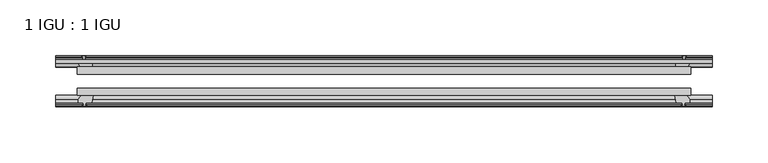
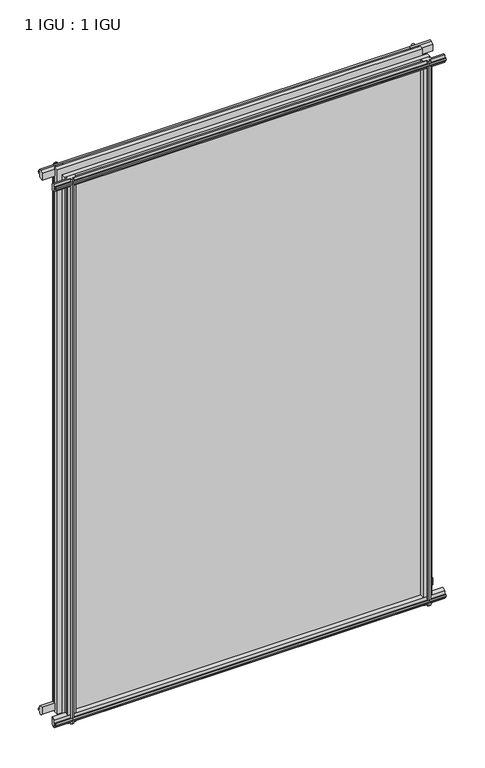
"""IFC4 building model written with IfcOpenShell, lengths in millimetres: plate geometry, 1 IGU : 1 IGU."""

from ifc_helpers import new_model, si_unit, frame, origin, place, context, project, spatial, polyline, outline, extrude, source, transform, mapped, element, save


def plate_1_igu_1_igu_84f44fb4(model_context):
    return source(origin(), model_context, "Body", "SweptSolid", [
        extrude(outline(polyline([(-273.8244096, -38.6468937), (273.8244096, -38.6468937), (273.8244096, -44.9460938), (-273.8244096, -44.9460938), (-273.8244096, -38.6468937)])), frame((0.0, 0.0, -12.7), z_axis=(0.0, 0.0, 1.0), x_axis=(1.0, 0.0, 0.0)), (0.0, 0.0, 1.0), 863.5872996),
        extrude(outline(polyline([(-273.8244096, -19.5460937), (273.8244096, -19.5460937), (273.8244096, -25.8960938), (-273.8244096, -25.8960938), (-273.8244096, -19.5460937)])), frame((0.0, 0.0, -12.7), z_axis=(0.0, 0.0, 1.0), x_axis=(1.0, 0.0, 0.0)), (0.0, 0.0, 1.0), 863.5872996),
        extrude(outline(polyline([(-44.9460937, 1.7177181), (-44.9460937, -9.1036578), (-48.3496937, -11.938), (-51.2960937, -11.938), (-51.2960937, -7.493), (-53.6762907, -7.112), (-53.2163575, -8.5275291), (-54.0175717, -8.5275291), (-54.7250937, -6.35), (-54.0175717, -4.1724709), (-53.2163575, -4.1724709), (-53.6762907, -5.588), (-51.2960937, -5.207), (-51.2960937, 0.0), (-44.9460937, 1.7177181)])), frame((-292.8744096, 0.0, 0.0), z_axis=(1.0, 0.0, 0.0), x_axis=(0.0, 1.0, 0.0)), (0.0, 0.0, 1.0), 585.7488192),
        extrude(outline(polyline([(-13.1960937, -12.4587), (-16.1424937, -12.4587), (-19.5460937, -9.6243578), (-19.5460937, 1.1970181), (-13.1960937, -0.5207), (-13.1960937, -5.7277), (-10.8158968, -6.1087), (-11.27583, -4.6931709), (-10.4746158, -4.6931709), (-9.7670937, -6.8707), (-10.4746158, -9.0482291), (-11.27583, -9.0482291), (-10.8158968, -7.6327), (-13.1960937, -8.0137), (-13.1960937, -12.4587)])), frame((-292.8744096, 0.0, 0.0), z_axis=(1.0, 0.0, 0.0), x_axis=(0.0, 1.0, 0.0)), (0.0, 0.0, 1.0), 585.7488192),
        extrude(outline(polyline([(-51.2960937, 850.1252996), (-48.3496937, 850.1252996), (-44.9460937, 847.2909574), (-44.9460937, 836.4695815), (-51.2960937, 838.1872996), (-51.2960937, 843.3942996), (-53.6762907, 843.7752996), (-53.2163575, 842.3597706), (-54.0175717, 842.3597706), (-54.7250937, 844.5372996), (-54.0175717, 846.7148287), (-53.2163575, 846.7148287), (-53.6762907, 845.2992996), (-51.2960937, 845.6802996), (-51.2960937, 850.1252996)])), frame((-292.8744096, 0.0, 0.0), z_axis=(1.0, 0.0, 0.0), x_axis=(0.0, 1.0, 0.0)), (0.0, 0.0, 1.0), 585.7488192),
        extrude(outline(polyline([(-19.5460937, 836.9902815), (-19.5460937, 847.8116574), (-16.1424937, 850.6459996), (-13.1960937, 850.6459996), (-13.1960937, 846.2009996), (-10.8158968, 845.8199996), (-11.27583, 847.2355287), (-10.4746158, 847.2355287), (-9.7670937, 845.0579996), (-10.4746158, 842.8804706), (-11.27583, 842.8804706), (-10.8158968, 844.2959996), (-13.1960937, 843.9149996), (-13.1960937, 838.7079996), (-19.5460937, 836.9902815)])), frame((-292.8744096, 0.0, 0.0), z_axis=(1.0, 0.0, 0.0), x_axis=(0.0, 1.0, 0.0)), (0.0, 0.0, 1.0), 585.7488192),
        extrude(outline(polyline([(259.9273915, -19.5460938), (261.6451096, -13.1960938), (266.8521096, -13.1960938), (267.2331096, -10.8158968), (265.8175805, -11.27583), (265.8175805, -10.4746158), (267.9951096, -9.7670938), (270.1726386, -10.4746158), (270.1726386, -11.27583), (268.7571096, -10.8158968), (269.1381096, -13.1960938), (273.5831096, -13.1960938), (273.5831096, -16.1424938), (270.7487674, -19.5460938), (259.9273915, -19.5460938)])), frame((0.0, 0.0, -12.7), z_axis=(0.0, 0.0, 1.0), x_axis=(1.0, 0.0, 0.0)), (0.0, 0.0, 1.0), 863.5872998),
        extrude(outline(polyline([(259.4066915, -44.9460938), (270.2280674, -44.9460938), (273.0624096, -48.3496938), (273.0624096, -51.2960938), (268.6174096, -51.2960938), (268.2364096, -53.6762907), (269.6519386, -53.2163575), (269.6519386, -54.0175717), (267.4744096, -54.7250938), (265.2968805, -54.0175717), (265.2968805, -53.2163575), (266.7124096, -53.6762907), (266.3314096, -51.2960938), (261.1244096, -51.2960938), (259.4066915, -44.9460938)])), frame((0.0, 0.0, -12.7), z_axis=(0.0, 0.0, 1.0), x_axis=(1.0, 0.0, 0.0)), (0.0, 0.0, 1.0), 863.5872998),
        extrude(outline(polyline([(-267.9951096, -9.7670937), (-265.8175805, -10.4746158), (-265.8175805, -11.27583), (-267.2331096, -10.8158968), (-266.8521096, -13.1960937), (-261.6451096, -13.1960937), (-259.9273915, -19.5460937), (-270.7487674, -19.5460937), (-273.5831096, -16.1424937), (-273.5831096, -13.1960937), (-269.1381096, -13.1960937), (-268.7571096, -10.8158968), (-270.1726386, -11.27583), (-270.1726386, -10.4746158), (-267.9951096, -9.7670937)])), frame((0.0, 0.0, -12.7), z_axis=(0.0, 0.0, 1.0), x_axis=(1.0, 0.0, 0.0)), (0.0, 0.0, 1.0), 863.5872998),
        extrude(outline(polyline([(-273.0624096, -48.3496937), (-270.2280674, -44.9460937), (-259.4066915, -44.9460937), (-261.1244096, -51.2960937), (-266.3314096, -51.2960937), (-266.7124096, -53.6762907), (-265.2968805, -53.2163575), (-265.2968805, -54.0175717), (-267.4744096, -54.7250937), (-269.6519386, -54.0175717), (-269.6519386, -53.2163575), (-268.2364096, -53.6762907), (-268.6174096, -51.2960937), (-273.0624096, -51.2960937), (-273.0624096, -48.3496937)])), frame((0.0, 0.0, -12.7), z_axis=(0.0, 0.0, 1.0), x_axis=(1.0, 0.0, 0.0)), (0.0, 0.0, 1.0), 863.5872998),
    ])


if __name__ == "__main__":
    model = new_model("IFC4")
    model_context = context("Model", 3, world=origin())
    ifc_project = project(units=[si_unit("LENGTHUNIT", "METRE", prefix="MILLI")], contexts=[model_context])
    site = spatial("IfcSite", under=ifc_project)
    building = spatial("IfcBuilding", under=site)
    placement = place(None, origin())
    plate_1_igu_1_igu_shape = plate_1_igu_1_igu_84f44fb4(model_context)
    element("IfcPlate", 1, ObjectType="1 IGU : 1 IGU", at=placement, inside=building, context=model_context, shape_type="MappedRepresentation", body=[
        mapped(plate_1_igu_1_igu_shape, transform((0.0, 0.0, 0.0), x_axis=(1.0, 0.0, 0.0), y_axis=(0.0, 1.0, 0.0), z_axis=(0.0, 0.0, 1.0))),
    ])
    save(model, "model.ifc")
